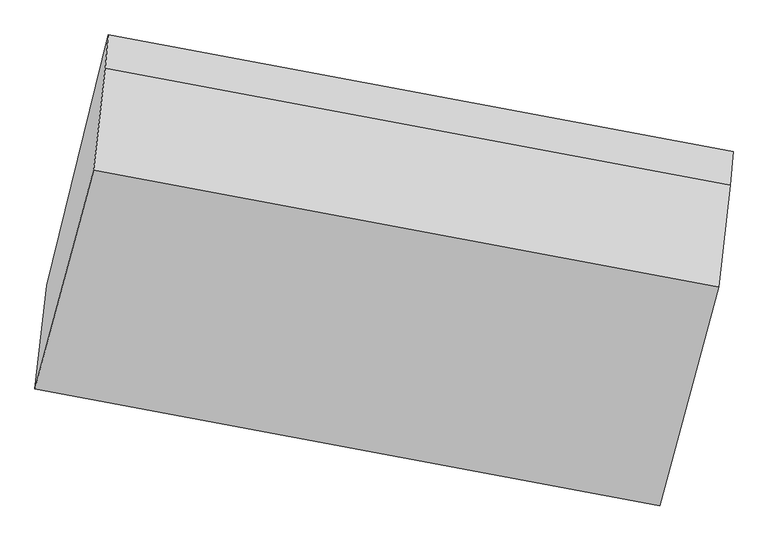
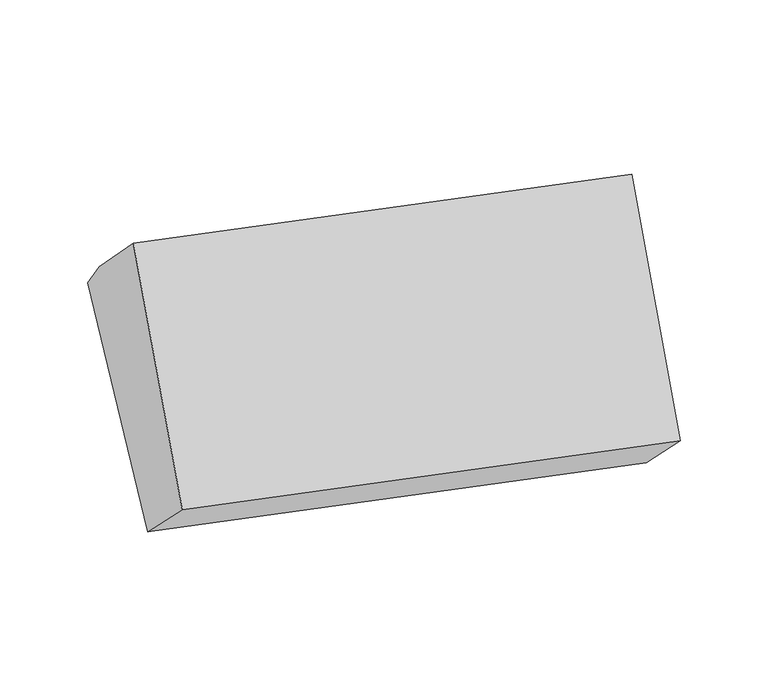
"""IFC4 building model written with IfcOpenShell, lengths in millimetres: proxy geometry."""

from ifc_helpers import new_model, si_unit, origin, place, context, project, spatial, faceted_brep, source, transform, mapped, element, save


def generic_models_bfd79799(model_context):
    return source(origin(), model_context, "Body", "Brep", [
        faceted_brep([(-3840.3269213, -1855.6338555, 1866.5520402), (-3806.7741837, -1566.0539238, 1588.719422), (-2059.1265554, -1893.2547349, 1458.7403487), (-2092.679293, -2182.8346666, 1736.5729669), (-3635.4730561, -864.4171402, 2125.7126693), (-1887.8254279, -1191.6179513, 1995.733596), (-3643.7275172, -958.2607238, 2250.9621188), (-1896.0798889, -1285.4615348, 2120.9830455), (-3675.9826039, -1242.2996048, 2532.2937635), (-1928.3349756, -1569.5004159, 2402.3146902)], [[[0, 1, 2, 3]], [[1, 4, 5]], [[4, 6, 7, 5]], [[6, 8, 9, 7]], [[8, 0, 3, 9]], [[7, 9, 3, 2, 5]], [[0, 8, 6, 4, 1]], [[5, 2, 1]]]),
    ])


if __name__ == "__main__":
    model = new_model("IFC4")
    model_context = context("Model", 3, world=origin())
    ifc_project = project(units=[si_unit("LENGTHUNIT", "METRE", prefix="MILLI")], contexts=[model_context])
    site = spatial("IfcSite", under=ifc_project)
    building = spatial("IfcBuilding", under=site)
    placement = place(None, origin())
    generic_models_shape = generic_models_bfd79799(model_context)
    element("IfcBuildingElementProxy", 1, Name="Generic Models", at=placement, inside=building, context=model_context, shape_type="MappedRepresentation", body=[
        mapped(generic_models_shape, transform((0.0, 0.0, 0.0), x_axis=(1.0, 0.0, 0.0), y_axis=(0.0, 1.0, 0.0), z_axis=(0.0, 0.0, 1.0))),
    ])
    save(model, "model.ifc")
